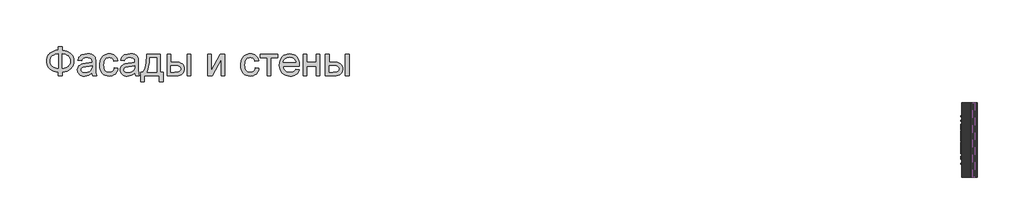
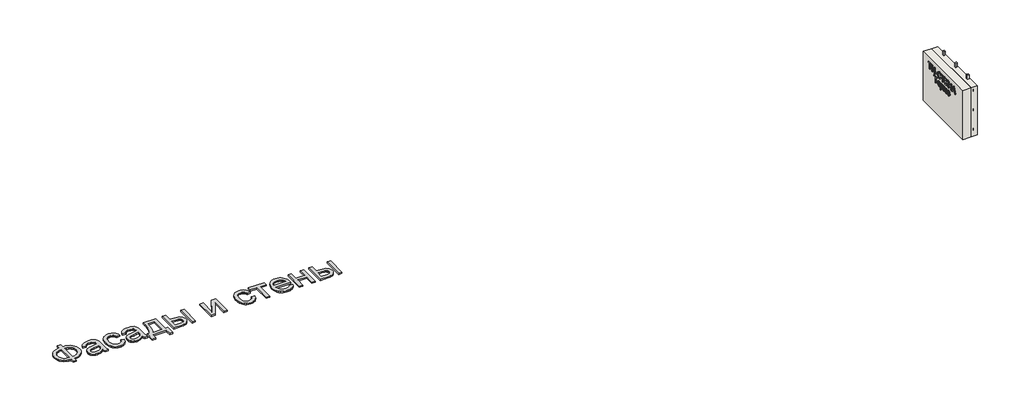
# One storey: 6 beams, 2 proxies, 2 walls.
"""IFC4 building model written with IfcOpenShell, lengths in millimetres."""

import ifcopenshell
import ifcopenshell.guid

model = None  # the IFC model being written
_history = None  # IfcOwnerHistory: only IFC2X3 demands one
_inside = {}  # id of a spatial element -> (the spatial element, [elements in it])
_under = {}  # id of a project, library or spatial element -> (it, [spatial elements below it])
_declared = {}  # id of a project -> (the project, [libraries it declares])
_typed = {}  # id of a type object -> (the type object, [elements of that type])
_made_of = {}  # id of a material, layer set ... -> (it, [elements and type objects made of it])


def new_model(schema):
    """Start an empty IFC model of exactly this schema.

    Asked for "IFC4X3", IfcOpenShell would pick the latest addendum, in which some entities
    have other attributes; the version numbers below select the first issue.
    IFC2X3 requires an IfcOwnerHistory on every rooted entity: one is made here for all.
    """
    global model, _history
    if schema == "IFC4X3":
        model = ifcopenshell.file(schema_version=(4, 3, 0, 0))
    else:
        model = ifcopenshell.file(schema=schema)
    _inside.clear()
    _under.clear()
    _declared.clear()
    _typed.clear()
    _made_of.clear()
    _history = None
    if model.schema == "IFC2X3":
        org = make("IfcOrganization", Name="unknown")
        user = make(
            "IfcPersonAndOrganization",
            ThePerson=make("IfcPerson", FamilyName="unknown"),
            TheOrganization=org,
        )
        app = make(
            "IfcApplication",
            ApplicationDeveloper=org,
            Version="unknown",
            ApplicationFullName="unknown",
            ApplicationIdentifier="unknown",
        )
        _history = make(
            "IfcOwnerHistory",
            OwningUser=user,
            OwningApplication=app,
            ChangeAction="ADDED",
            CreationDate=0,
        )
    return model


def make(cls, **values):
    """One entity of the class cls with the attributes given. An attribute that is None is left unset."""
    return model.create_entity(
        cls, **{name: value for name, value in values.items() if value is not None}
    )


def rooted(cls, **values):
    """An entity with a GlobalId (a new one), such as an element, a storey or a relation."""
    return make(cls, GlobalId=ifcopenshell.guid.new(), OwnerHistory=_history, **values)


def si_unit(unit_type, name, prefix=None):
    """IfcSIUnit, for example si_unit("LENGTHUNIT", "METRE", prefix="MILLI")."""
    return make("IfcSIUnit", UnitType=unit_type, Prefix=prefix, Name=name)


def assignment(units):
    """IfcUnitAssignment: the units of a project."""
    return None if units is None else make("IfcUnitAssignment", Units=units)


def point(xyz):
    """IfcCartesianPoint."""
    return None if xyz is None else make("IfcCartesianPoint", Coordinates=xyz)


def direction(xyz):
    """IfcDirection."""
    return None if xyz is None else make("IfcDirection", DirectionRatios=xyz)


def frame(location, z_axis=None, x_axis=None):
    """IfcAxis2Placement3D, a coordinate frame: its origin and axes. An axis left out is left unset."""
    return make(
        "IfcAxis2Placement3D",
        Location=point(location),
        Axis=direction(z_axis),
        RefDirection=direction(x_axis),
    )


def origin():
    """The frame at (0, 0, 0) with its axes left unset."""
    return frame((0.0, 0.0, 0.0))


def origin_with_axes():
    """The frame at (0, 0, 0) with the z axis (0, 0, 1) and the x axis (1, 0, 0) written out."""
    return frame((0.0, 0.0, 0.0), z_axis=(0.0, 0.0, 1.0), x_axis=(1.0, 0.0, 0.0))


def place(relative_to, where):
    """IfcLocalPlacement: puts the frame where relative to a parent placement (None: the world)."""
    return make(
        "IfcLocalPlacement", PlacementRelTo=relative_to, RelativePlacement=where
    )


def context(
    kind, dimensions, precision=None, world=None, true_north=None, identifier=None
):
    """IfcGeometricRepresentationContext, for example the 3D "Model" context."""
    return make(
        "IfcGeometricRepresentationContext",
        ContextIdentifier=identifier,
        ContextType=kind,
        CoordinateSpaceDimension=dimensions,
        Precision=precision,
        WorldCoordinateSystem=world,
        TrueNorth=true_north,
    )


def project(units=None, contexts=None):
    """IfcProject with its units and contexts."""
    return rooted(
        "IfcProject",
        Name="project",
        RepresentationContexts=contexts,
        UnitsInContext=assignment(units),
    )


def spatial(cls, under=None, at=None, **own):
    """A site, building, storey or space (cls), placed at a placement, below another one or the project."""
    s = rooted(cls, ObjectPlacement=at, **own)
    if under is not None:
        _under.setdefault(under.id(), (under, []))[1].append(s)
    return s


def polyline(points):
    """IfcPolyline through the points."""
    return make("IfcPolyline", Points=[point(p) for p in points])


def outline(outer, holes=None, kind="AREA"):
    """IfcArbitraryClosedProfileDef: a profile drawn as a closed curve; with holes, ...WithVoids."""
    if holes is None:
        return make("IfcArbitraryClosedProfileDef", ProfileType=kind, OuterCurve=outer)
    return make(
        "IfcArbitraryProfileDefWithVoids",
        ProfileType=kind,
        OuterCurve=outer,
        InnerCurves=holes,
    )


def extrude(swept, where, along, depth):
    """IfcExtrudedAreaSolid: the profile swept, set in the frame where, extruded along a direction by depth."""
    return make(
        "IfcExtrudedAreaSolid",
        SweptArea=swept,
        Position=where,
        ExtrudedDirection=direction(along),
        Depth=depth,
    )


def shape(context_of_items, identifier, shape_type, items):
    """IfcShapeRepresentation: the items that make up one representation, for example the "Body"."""
    return make(
        "IfcShapeRepresentation",
        ContextOfItems=context_of_items,
        RepresentationIdentifier=identifier,
        RepresentationType=shape_type,
        Items=items,
    )


def source(mapping_origin, context_of_items, identifier, shape_type, items):
    """IfcRepresentationMap: a shape defined once, which mapped items show again and again."""
    return make(
        "IfcRepresentationMap",
        MappingOrigin=mapping_origin,
        MappedRepresentation=shape(context_of_items, identifier, shape_type, items),
    )


def transform(
    local_origin,
    x_axis=None,
    y_axis=None,
    z_axis=None,
    scale=None,
    scale2=None,
    scale3=None,
    uniform=True,
):
    """IfcCartesianTransformationOperator3D, or its non-uniform kind. x_axis, y_axis, z_axis: its Axis1, 2, 3."""
    if uniform:
        return make(
            "IfcCartesianTransformationOperator3D",
            Axis1=direction(x_axis),
            Axis2=direction(y_axis),
            LocalOrigin=point(local_origin),
            Scale=scale,
            Axis3=direction(z_axis),
        )
    return make(
        "IfcCartesianTransformationOperator3DnonUniform",
        Axis1=direction(x_axis),
        Axis2=direction(y_axis),
        LocalOrigin=point(local_origin),
        Scale=scale,
        Axis3=direction(z_axis),
        Scale2=scale2,
        Scale3=scale3,
    )


def mapped(mapping_source, mapping_target):
    """IfcMappedItem: shows the shape of a source again, moved by a transform."""
    return make(
        "IfcMappedItem", MappingSource=mapping_source, MappingTarget=mapping_target
    )


def made_of(thing, what):
    """Note that an element or type object is made of a material, layer set ...; save() writes the relation."""
    if what is not None:
        _made_of.setdefault(what.id(), (what, []))[1].append(thing)
    return thing


def element(
    cls,
    number,
    at=None,
    inside=None,
    cuts=None,
    type_object=None,
    material=None,
    context=None,
    identifier="Body",
    shape_type=None,
    held_by="IfcProductDefinitionShape",
    body=None,
    shapes=None,
    **own,
):
    """One element of the class cls, such as IfcWall. Its Tag is "e" and its number.

    at: its placement. inside: the storey or other place that contains it. cuts: it is an
    opening in that element (IfcRelVoidsElement). A single representation is given by context,
    identifier, shape_type and body (its items); several are given by shapes. held_by: the class
    of the entity that holds the representations. save() writes the other relations.
    """
    e = rooted(cls, Tag="e%d" % number, ObjectPlacement=at, **own)
    if body is not None:
        shapes = [shape(context, identifier, shape_type, body)]
    if shapes is not None:
        e.Representation = make(held_by, Representations=shapes)
    if inside is not None:
        _inside.setdefault(inside.id(), (inside, []))[1].append(e)
    if cuts is not None:
        rooted(
            "IfcRelVoidsElement", RelatingBuildingElement=cuts, RelatedOpeningElement=e
        )
    if type_object is not None:
        _typed.setdefault(type_object.id(), (type_object, []))[1].append(e)
    return made_of(e, material)


def aggregate(whole, parts):
    """IfcRelAggregates: a whole, such as a stair, and the parts it consists of."""
    return rooted("IfcRelAggregates", RelatingObject=whole, RelatedObjects=parts)


def save(model, path):
    """Write the relations noted so far, then the file.

    IfcRelAggregates (storeys below a building ...), IfcRelContainedInSpatialStructure (elements
    in a storey), IfcRelDefinesByType, IfcRelAssociatesMaterial and IfcRelDeclares: one each for
    every whole, place, type object, material and project.
    """
    for whole, parts in _under.values():
        aggregate(whole, parts)
    for where, things in _inside.values():
        rooted(
            "IfcRelContainedInSpatialStructure",
            RelatedElements=things,
            RelatingStructure=where,
        )
    for kind, things in _typed.values():
        rooted("IfcRelDefinesByType", RelatedObjects=things, RelatingType=kind)
    for what, things in _made_of.values():
        rooted("IfcRelAssociatesMaterial", RelatedObjects=things, RelatingMaterial=what)
    for by, libraries in _declared.values():
        rooted("IfcRelDeclares", RelatingContext=by, RelatedDefinitions=libraries)
    model.write(path)


def beam_50x50_ec1bd43c(model_context):
    return source(origin(), model_context, "Body", "SweptSolid", [
        extrude(outline(polyline([(1000.0, 25.0), (1000.0, -25.0), (-1000.0, -25.0), (-1000.0, 25.0), (1000.0, 25.0)])), frame((0.0, 0.0, -25.0), z_axis=(0.0, 0.0, 1.0), x_axis=(1.0, 0.0, 0.0)), (0.0, 0.0, 1.0), 50.0),
    ])


def beam_50x50_d503972a(model_context):
    return source(origin(), model_context, "Body", "SweptSolid", [
        extrude(outline(polyline([(812.5, 25.0), (812.5, -25.0), (-812.5, -25.0), (-812.5, 25.0), (812.5, 25.0)])), frame((0.0, 0.0, -25.0), z_axis=(0.0, 0.0, 1.0), x_axis=(1.0, 0.0, 0.0)), (0.0, 0.0, 1.0), 50.0),
    ])


model = new_model("IFC4")

# Units and contexts
model_context = context("Model", 3, world=origin())
ifc_project = project(units=[si_unit("LENGTHUNIT", "METRE", prefix="MILLI")], contexts=[model_context])

# Site, building, storey
site = spatial("IfcSite", under=ifc_project)
building = spatial("IfcBuilding", under=site)
storey = spatial("IfcBuildingStorey", under=building, Elevation=0.0)

# Beams
placement = place(None, origin())
beam_50x50_shape = beam_50x50_ec1bd43c(model_context)
element("IfcBeam", 1, ObjectType="50x50", at=placement, inside=storey, context=model_context, shape_type="MappedRepresentation", body=[
    mapped(beam_50x50_shape, transform((22693.8955952, -23302.6148653, 1412.5), x_axis=(0.0, -1.0, 0.0), y_axis=(0.0, 0.0, 1.0), z_axis=(-1.0, 0.0, 0.0))),
])
element("IfcBeam", 2, ObjectType="50x50", at=placement, inside=storey, context=model_context, shape_type="MappedRepresentation", body=[
    mapped(beam_50x50_shape, transform((22693.8955952, -23302.6148653, 812.5), x_axis=(0.0, -1.0, 0.0), y_axis=(0.0, 0.0, 1.0), z_axis=(-1.0, 0.0, 0.0))),
])
element("IfcBeam", 3, ObjectType="50x50", at=placement, inside=storey, context=model_context, shape_type="MappedRepresentation", body=[
    mapped(beam_50x50_shape, transform((22693.8955952, -23302.6148653, 212.5), x_axis=(0.0, -1.0, 0.0), y_axis=(0.0, 0.0, 1.0), z_axis=(-1.0, 0.0, 0.0))),
])
beam_50x50_2_shape = beam_50x50_d503972a(model_context)
element("IfcBeam", 4, ObjectType="50x50", at=placement, inside=storey, context=model_context, shape_type="MappedRepresentation", body=[
    mapped(beam_50x50_2_shape, transform((22743.8955952, -23902.6148653, 812.5), x_axis=(0.0, 0.0, -1.0), y_axis=(0.0, -1.0, 0.0), z_axis=(-1.0, 0.0, 0.0))),
])
element("IfcBeam", 5, ObjectType="50x50", at=placement, inside=storey, context=model_context, shape_type="MappedRepresentation", body=[
    mapped(beam_50x50_2_shape, transform((22743.8955952, -23302.6148653, 812.5), x_axis=(0.0, 0.0, -1.0), y_axis=(0.0, -1.0, 0.0), z_axis=(-1.0, 0.0, 0.0))),
])
element("IfcBeam", 6, ObjectType="50x50", at=placement, inside=storey, context=model_context, shape_type="MappedRepresentation", body=[
    mapped(beam_50x50_2_shape, transform((22743.8955952, -22702.6148653, 812.5), x_axis=(0.0, 0.0, -1.0), y_axis=(0.0, -1.0, 0.0), z_axis=(-1.0, 0.0, 0.0))),
])

# Proxies
element("IfcBuildingElementProxy", 7, Name="Generic Models", at=placement, inside=storey, context=model_context, shape_type="SweptSolid", body=[
    extrude(outline(polyline([(-1939.8736325, -20885.7211043), (-1939.8736325, -20787.7817103), (-1841.9342386, -20787.7817103), (-1841.9342386, -20885.7211043), (-1772.0723186, -20894.3529698), (-1709.9695132, -20912.2144755), (-1655.6258224, -20939.3056213), (-1609.0412461, -20975.6264073), (-1571.6743546, -21019.0607113), (-1544.9837177, -21067.4924111), (-1528.9693356, -21120.9215067), (-1523.6312083, -21179.3479982), (-1528.8019587, -21236.6028514), (-1544.3142102, -21289.3863505), (-1570.1679625, -21337.6984954), (-1606.3632158, -21381.5392861), (-1628.1416397, -21401.1761824), (-1652.1109076, -21418.4817577), (-1706.6219753, -21446.0989452), (-1769.896419, -21464.3908486), (-1841.9342386, -21473.3574679), (-1841.9342386, -21571.2968619), (-1939.8736325, -21571.2968619), (-1939.8736325, -21473.3574679), (-2005.3060425, -21466.0586398), (-2065.0237272, -21449.518216), (-2119.0266865, -21423.7361966), (-2167.3149204, -21388.7125816), (-2207.0669327, -21345.8939854), (-2222.6837947, -21322.10405), (-2235.4612272, -21296.7270228), (-2245.3992303, -21269.7629041), (-2252.4978039, -21241.2116938), (-2258.1766628, -21179.3479982), (-2252.5157371, -21117.2033486), (-2245.4395801, -21088.5878775), (-2235.5329602, -21061.6103088), (-2222.7958774, -21036.2706426), (-2207.2283318, -21012.5688789), (-2188.8303234, -20990.5050176), (-2167.6018522, -20970.0790588), (-2119.4032845, -20935.3961753), (-2065.382392, -20909.775555), (-2005.5391746, -20893.217198), (-1939.8736325, -20885.7211043)]), holes=[polyline([(-1841.9342386, -20983.6604982), (-1841.9342386, -21375.418074), (-1793.3949393, -21370.2234125), (-1750.3073446, -21359.2303372), (-1712.6714545, -21342.4388481), (-1680.4872689, -21319.8489452), (-1654.7112272, -21291.9627591), (-1636.2997689, -21259.2824206), (-1625.2528939, -21221.8079296), (-1621.5706022, -21179.5392861), (-1625.1871387, -21137.922217), (-1636.036748, -21100.872146), (-1654.1194303, -21068.389073), (-1679.4351855, -21040.4729982), (-1711.2905951, -21017.6977852), (-1748.9922405, -21000.6372975), (-1792.5401216, -20989.2915352), (-1841.9342386, -20983.6604982)]), polyline([(-1939.8736325, -20983.6604982), (-1986.781007, -20988.5861611), (-2028.989873, -20999.3461043), (-2066.5002305, -21015.9403278), (-2099.3120795, -21038.3688316), (-2125.9668498, -21066.2012179), (-2145.0059715, -21099.0070891), (-2156.4294445, -21136.7864452), (-2160.2372689, -21179.5392861), (-2156.4772665, -21221.9035735), (-2145.1972594, -21259.4737085), (-2126.3972476, -21292.2496909), (-2100.077231, -21320.231521), (-2067.5044919, -21342.8692459), (-2029.9463124, -21359.612913), (-1987.4026926, -21370.4625224), (-1939.8736325, -21375.418074), (-1939.8736325, -20983.6604982)])]), origin_with_axes(), (0.0, 0.0, 1.0), 40.0),
    extrude(outline(polyline([(-1033.9342386, -21497.8423164), (-1080.7280359, -21537.964949), (-1104.6449985, -21552.8256261), (-1128.9086704, -21564.2192103), (-1179.5760473, -21578.7092672), (-1233.8300719, -21583.5392861), (-1277.4377305, -21580.6341014), (-1315.677373, -21571.9185475), (-1348.5489995, -21557.3926242), (-1376.0526098, -21537.0563316), (-1397.7697618, -21512.2008628), (-1413.2820132, -21484.1174111), (-1422.589364, -21452.8059764), (-1425.6918143, -21418.2665588), (-1421.0052613, -21377.6657066), (-1406.9456022, -21340.7949679), (-1385.2583389, -21309.2324679), (-1357.6889734, -21284.5563316), (-1325.2895889, -21265.9057634), (-1289.1122689, -21252.4199679), (-1204.3717386, -21237.6908013), (-1104.232534, -21222.1964831), (-1034.5081022, -21204.0241346), (-1033.9342386, -21182.2173164), (-1035.619963, -21158.4737085), (-1040.6771363, -21138.5080361), (-1049.1057585, -21122.3202994), (-1060.9058295, -21109.9104982), (-1081.3018996, -21097.5246081), (-1106.1454128, -21088.6775437), (-1135.4363693, -21083.369305), (-1169.1747689, -21081.5998922), (-1227.5175719, -21086.3103562), (-1250.0895416, -21092.1984362), (-1268.2618901, -21100.4417482), (-1283.1943001, -21111.6858888), (-1296.0464545, -21126.5764547), (-1306.8183532, -21145.1134457), (-1315.5099961, -21167.2968619), (-1413.4493901, -21155.0544376), (-1396.4486799, -21101.4938316), (-1384.810008, -21079.0175058), (-1371.0791249, -21059.4104982), (-1354.6642338, -21042.2782776), (-1334.9735378, -21027.2263126), (-1312.0070369, -21014.2546033), (-1285.764731, -21003.3631497), (-1225.5807821, -20988.5861611), (-1156.5497689, -20983.6604982), (-1090.3402518, -20988.0122975), (-1037.8556401, -21001.0676952), (-998.2829602, -21020.6986138), (-970.8092386, -21044.7769755), (-952.5890681, -21074.5461516), (-940.7770416, -21111.2495134), (-937.1903939, -21145.1074679), (-935.9948446, -21196.9464831), (-935.9948446, -21318.7968619), (-934.7514734, -21424.9377236), (-931.0213598, -21488.94743), (-923.6567764, -21531.0068524), (-911.5099961, -21571.2968619), (-1009.4493901, -21571.2968619), (-1025.1349961, -21537.2476194), (-1033.9342386, -21497.8423164)]), holes=[polyline([(-1033.9342386, -21301.9635285), (-1099.7372689, -21318.2708202), (-1191.9380264, -21331.9957255), (-1242.7488693, -21339.5037747), (-1276.2003371, -21347.8726194), (-1298.1267102, -21358.7282066), (-1314.3622689, -21373.6964831), (-1324.4048825, -21391.6297217), (-1327.7524204, -21411.3801952), (-1325.9292078, -21426.599537), (-1320.45957, -21440.5037747), (-1311.343507, -21453.0929083), (-1298.5810189, -21464.3669376), (-1282.2916604, -21473.6563552), (-1262.5949867, -21480.2916535), (-1212.9796931, -21485.5998922), (-1160.3755264, -21479.7417009), (-1136.3688977, -21472.4189618), (-1113.8925719, -21462.167127), (-1076.2088598, -21436.2715304), (-1050.0024204, -21405.450271), (-1038.3816818, -21373.6964831), (-1034.5081022, -21329.700271), (-1033.9342386, -21301.9635285)])]), origin_with_axes(), (0.0, 0.0, 1.0), 40.0),
    extrude(outline(polyline([(-434.0554507, -21363.1756497), (-336.1160568, -21375.418074), (-346.7684005, -21421.6320299), (-363.4224014, -21462.5257918), (-386.0780596, -21498.0993595), (-414.7353749, -21528.3527331), (-448.1868427, -21552.49685), (-485.2249583, -21569.7426478), (-525.8497215, -21580.0901265), (-570.0611325, -21583.5392861), (-624.9906425, -21578.7272004), (-674.2412935, -21564.2909433), (-717.8130856, -21540.2305148), (-755.7060189, -21506.5459149), (-786.3778347, -21463.8707847), (-808.2862746, -21412.8387653), (-821.4313385, -21353.4498567), (-825.8130264, -21285.7040588), (-823.9419919, -21240.6736966), (-818.3288882, -21198.5485191), (-808.9737154, -21159.3285262), (-795.8764734, -21123.0137179), (-778.9474961, -21090.3333794), (-758.0971174, -21062.0167956), (-733.3253371, -21038.0639665), (-704.6321552, -21018.4748922), (-673.3147428, -21003.2435948), (-640.6702708, -20992.3640967), (-606.698739, -20985.8363978), (-571.4001477, -20983.6604982), (-527.9479104, -20986.6493713), (-488.6442291, -20995.6159906), (-453.4891036, -21010.5603562), (-422.482534, -21031.4824679), (-396.150562, -21057.9041062), (-375.0192291, -21089.3470513), (-359.0885354, -21125.8113031), (-348.358481, -21167.2968619), (-446.2978749, -21179.5392861), (-453.9434123, -21156.6624513), (-464.0637367, -21136.8103562), (-476.6588479, -21119.9830006), (-491.7287461, -21106.1803846), (-508.8908555, -21095.4264192), (-527.7626003, -21087.7450153), (-548.3439805, -21083.1361729), (-570.6349961, -21081.5998922), (-603.9131093, -21084.6246317), (-633.927373, -21093.6988505), (-660.6777873, -21108.8225484), (-684.1643522, -21129.9957255), (-703.2871623, -21157.7085569), (-716.9463124, -21192.4512179), (-725.1418025, -21234.2237085), (-727.8736325, -21283.0260285), (-725.20158, -21332.5636114), (-717.1854223, -21374.8202994), (-703.8251595, -21409.7960924), (-685.1207916, -21437.4909906), (-662.1004909, -21458.5386351), (-635.7924299, -21473.5726668), (-606.1966084, -21482.5930858), (-573.3130264, -21485.5998922), (-546.8136775, -21483.7228799), (-522.5978276, -21478.0918429), (-500.6654767, -21468.7067814), (-481.0166249, -21455.5676952), (-464.2012248, -21438.5311185), (-450.7692291, -21417.4535853), (-440.7206377, -21392.3350958), (-434.0554507, -21363.1756497)])), origin_with_axes(), (0.0, 0.0, 1.0), 40.0),
    extrude(outline(polyline([(116.8536402, -21497.8423164), (70.0598429, -21537.964949), (46.1428803, -21552.8256261), (21.8792084, -21564.2192103), (-28.7881685, -21578.7092672), (-83.0421931, -21583.5392861), (-126.6498517, -21580.6341014), (-164.8894943, -21571.9185475), (-197.7611207, -21557.3926242), (-225.264731, -21537.0563316), (-246.981883, -21512.2008628), (-262.4941344, -21484.1174111), (-271.8014853, -21452.8059764), (-274.9039355, -21418.2665588), (-270.2173825, -21377.6657066), (-256.1577234, -21340.7949679), (-234.4704602, -21309.2324679), (-206.9010946, -21284.5563316), (-174.5017102, -21265.9057634), (-138.3243901, -21252.4199679), (-53.5838598, -21237.6908013), (46.5553448, -21222.1964831), (116.2797766, -21204.0241346), (116.8536402, -21182.2173164), (115.1679158, -21158.4737085), (110.1107425, -21138.5080361), (101.6821203, -21122.3202994), (89.8820493, -21109.9104982), (69.4859792, -21097.5246081), (44.642466, -21088.6775437), (15.3515095, -21083.369305), (-18.3868901, -21081.5998922), (-76.7296931, -21086.3103562), (-99.3016628, -21092.1984362), (-117.4740113, -21100.4417482), (-132.4064213, -21111.6858888), (-145.2585757, -21126.5764547), (-156.0304744, -21145.1134457), (-164.7221174, -21167.2968619), (-262.6615113, -21155.0544376), (-245.6608011, -21101.4938316), (-234.0221292, -21079.0175058), (-220.2912461, -21059.4104982), (-203.876355, -21042.2782776), (-184.185659, -21027.2263126), (-161.2191581, -21014.2546033), (-134.9768522, -21003.3631497), (-74.7929033, -20988.5861611), (-5.7618901, -20983.6604982), (60.447627, -20988.0122975), (112.9322387, -21001.0676952), (152.5049186, -21020.6986138), (179.9786402, -21044.7769755), (198.1988107, -21074.5461516), (210.0108372, -21111.2495134), (213.5974849, -21145.1074679), (214.7930342, -21196.9464831), (214.7930342, -21318.7968619), (216.0364054, -21424.9377236), (219.766519, -21488.94743), (227.1311023, -21531.0068524), (239.2778826, -21571.2968619), (141.3384887, -21571.2968619), (125.6528826, -21537.2476194), (116.8536402, -21497.8423164)]), holes=[polyline([(116.8536402, -21301.9635285), (51.0506099, -21318.2708202), (-41.1501477, -21331.9957255), (-91.9609905, -21339.5037747), (-125.4124583, -21347.8726194), (-147.3388314, -21358.7282066), (-163.5743901, -21373.6964831), (-173.6170037, -21391.6297217), (-176.9645416, -21411.3801952), (-175.141329, -21426.599537), (-169.6716912, -21440.5037747), (-160.5556282, -21453.0929083), (-147.7931401, -21464.3669376), (-131.5037817, -21473.6563552), (-111.8071079, -21480.2916535), (-62.1918143, -21485.5998922), (-9.5876477, -21479.7417009), (14.4189811, -21472.4189618), (36.8953069, -21462.167127), (74.579019, -21436.2715304), (100.7854584, -21405.450271), (112.406197, -21373.6964831), (116.2797766, -21329.700271), (116.8536402, -21301.9635285)])]), origin_with_axes(), (0.0, 0.0, 1.0), 40.0),
    extrude(outline(polyline([(435.1566705, -20995.9029225), (802.4293978, -20995.9029225), (802.4293978, -21473.3574679), (875.8839432, -21473.3574679), (875.8839432, -21730.448377), (777.9445493, -21730.448377), (777.9445493, -21571.2968619), (373.9445493, -21571.2968619), (373.9445493, -21730.448377), (276.0051554, -21730.448377), (276.0051554, -21473.3574679), (337.2172766, -21473.3574679), (361.1342392, -21436.3970631), (381.7156194, -21392.9448259), (398.9614172, -21343.0007563), (412.8716326, -21286.5648543), (423.4462657, -21223.6371199), (430.6853164, -21154.2175531), (434.5887846, -21078.306154), (435.1566705, -20995.9029225)]), holes=[polyline([(520.8536402, -21093.8423164), (512.8195493, -21213.7559054), (497.8990948, -21316.979627), (476.0922766, -21403.5134812), (462.6064811, -21440.521708), (447.3990948, -21473.3574679), (704.4900039, -21473.3574679), (704.4900039, -21093.8423164), (520.8536402, -21093.8423164)])]), origin_with_axes(), (0.0, 0.0, 1.0), 40.0),
    extrude(outline(polyline([(986.0657614, -20995.9029225), (1084.0051554, -20995.9029225), (1084.0051554, -21204.0241346), (1205.0903826, -21204.0241346), (1260.8089551, -21207.0907184), (1309.7487633, -21216.2904698), (1351.9098074, -21231.6233888), (1387.2920872, -21253.0894755), (1415.2858727, -21279.9474892), (1435.2814338, -21311.4561895), (1447.2787704, -21347.6155763), (1451.2778826, -21388.4256497), (1447.924367, -21424.8361019), (1437.8638201, -21458.5087463), (1421.096242, -21489.443583), (1397.6216326, -21517.6406119), (1366.7824399, -21541.1152212), (1327.9211118, -21557.8827994), (1281.0376483, -21567.9433462), (1226.1320493, -21571.2968619), (986.0657614, -21571.2968619), (986.0657614, -20995.9029225)]), holes=[polyline([(1084.0051554, -21473.3574679), (1184.6225796, -21473.3574679), (1262.6202122, -21468.2166062), (1291.8274802, -21461.790529), (1314.5070493, -21452.794021), (1331.495804, -21441.0716606), (1343.6306289, -21426.4680266), (1350.9115237, -21408.983119), (1353.3384887, -21388.6169376), (1351.5391871, -21372.1542245), (1346.1412823, -21356.6240399), (1337.1447742, -21342.0263836), (1324.5496629, -21328.3612558), (1305.8094286, -21316.8122501), (1278.3775512, -21308.5629603), (1242.2540308, -21303.6133865), (1197.4388675, -21301.9635285), (1084.0051554, -21301.9635285), (1084.0051554, -21473.3574679)])]), origin_with_axes(), (0.0, 0.0, 1.0), 40.0),
    extrude(outline(polyline([(1524.7324281, -20995.9029225), (1622.671822, -20995.9029225), (1622.671822, -21571.2968619), (1524.7324281, -21571.2968619), (1524.7324281, -20995.9029225)])), origin_with_axes(), (0.0, 0.0, 1.0), 40.0),
    extrude(outline(polyline([(2075.641519, -20995.9029225), (2173.5809129, -20995.9029225), (2173.5809129, -21434.7173164), (2414.2210645, -20995.9029225), (2540.8536402, -20995.9029225), (2540.8536402, -21571.2968619), (2442.9142463, -21571.2968619), (2442.9142463, -21135.1604982), (2203.8043978, -21571.2968619), (2075.641519, -21571.2968619), (2075.641519, -20995.9029225)])), origin_with_axes(), (0.0, 0.0, 1.0), 40.0),
    extrude(outline(polyline([(3361.0960645, -21363.1756497), (3459.0354584, -21375.418074), (3448.3831147, -21421.6320299), (3431.7291137, -21462.5257918), (3409.0734556, -21498.0993595), (3380.4161402, -21528.3527331), (3346.9646724, -21552.49685), (3309.9265569, -21569.7426478), (3269.3017936, -21580.0901265), (3225.0903826, -21583.5392861), (3170.1608727, -21578.7272004), (3120.9102217, -21564.2909433), (3077.3384295, -21540.2305148), (3039.4454963, -21506.5459149), (3008.7736805, -21463.8707847), (2986.8652406, -21412.8387653), (2973.7201767, -21353.4498567), (2969.3384887, -21285.7040588), (2971.2095233, -21240.6736966), (2976.822627, -21198.5485191), (2986.1777998, -21159.3285262), (2999.2750417, -21123.0137179), (3016.204019, -21090.3333794), (3037.0543978, -21062.0167956), (3061.8261781, -21038.0639665), (3090.5193599, -21018.4748922), (3121.8367723, -21003.2435948), (3154.4812444, -20992.3640967), (3188.4527761, -20985.8363978), (3223.7513675, -20983.6604982), (3267.2036047, -20986.6493713), (3306.5072861, -20995.6159906), (3341.6624115, -21010.5603562), (3372.6689811, -21031.4824679), (3399.0009532, -21057.9041062), (3420.1322861, -21089.3470513), (3436.0629797, -21125.8113031), (3446.7930342, -21167.2968619), (3348.8536402, -21179.5392861), (3341.2081028, -21156.6624513), (3331.0877785, -21136.8103562), (3318.4926672, -21119.9830006), (3303.422769, -21106.1803846), (3286.2606596, -21095.4264192), (3267.3889148, -21087.7450153), (3246.8075346, -21083.1361729), (3224.516519, -21081.5998922), (3191.2384058, -21084.6246317), (3161.2241421, -21093.6988505), (3134.4737278, -21108.8225484), (3110.9871629, -21129.9957255), (3091.8643528, -21157.7085569), (3078.2052027, -21192.4512179), (3070.0097127, -21234.2237085), (3067.2778826, -21283.0260285), (3069.9499352, -21332.5636114), (3077.9660929, -21374.8202994), (3091.3263557, -21409.7960924), (3110.0307236, -21437.4909906), (3133.0510242, -21458.5386351), (3159.3590853, -21473.5726668), (3188.9549068, -21482.5930858), (3221.8384887, -21485.5998922), (3248.3378377, -21483.7228799), (3272.5536876, -21478.0918429), (3294.4860384, -21468.7067814), (3314.1348902, -21455.5676952), (3330.9502903, -21438.5311185), (3344.3822861, -21417.4535853), (3354.4308774, -21392.3350958), (3361.0960645, -21363.1756497)])), origin_with_axes(), (0.0, 0.0, 1.0), 40.0),
    extrude(outline(polyline([(3495.7627311, -20995.9029225), (3960.9748523, -20995.9029225), (3960.9748523, -21093.8423164), (3777.3384887, -21093.8423164), (3777.3384887, -21571.2968619), (3679.3990948, -21571.2968619), (3679.3990948, -21093.8423164), (3495.7627311, -21093.8423164), (3495.7627311, -20995.9029225)])), origin_with_axes(), (0.0, 0.0, 1.0), 40.0),
    extrude(outline(polyline([(4449.5240948, -21399.9029225), (4545.5506099, -21412.1453467), (4530.827421, -21450.6061658), (4510.9514148, -21484.4999869), (4485.9225914, -21513.8268098), (4455.7409508, -21538.5866346), (4420.7173358, -21558.2534196), (4381.1625891, -21572.3011232), (4337.0767108, -21580.7297454), (4288.4597008, -21583.5392861), (4227.6899328, -21578.6913339), (4173.5435076, -21564.1474774), (4126.0204253, -21539.9077165), (4085.1206857, -21505.9720513), (4052.231126, -21463.2849656), (4028.7385834, -21412.7909433), (4014.6430578, -21354.4899845), (4009.9445493, -21288.3820891), (4014.6908798, -21220.0325389), (4028.9298713, -21159.7888126), (4052.6615237, -21107.6509102), (4085.8858372, -21063.6188316), (4126.6779773, -21028.6370607), (4173.1131099, -21003.6500816), (4225.1912349, -20988.6578941), (4282.9123523, -20983.6604982), (4338.7743907, -20988.6459386), (4389.2923239, -21003.6022596), (4434.4661521, -21028.5294613), (4474.2958751, -21063.4275437), (4506.8088367, -21107.3639783), (4530.0323807, -21159.4062369), (4543.9665072, -21219.5543192), (4548.611216, -21287.8082255), (4548.0373523, -21314.2059528), (4107.8839432, -21314.2059528), (4113.5568244, -21353.2884575), (4124.8368315, -21387.5170323), (4141.7239646, -21416.8916772), (4164.2182236, -21441.4123922), (4191.0762373, -21460.7444234), (4221.0546345, -21474.5530172), (4254.1534153, -21482.8381734), (4290.3725796, -21485.5998922), (4342.4985266, -21480.4829414), (4386.3990948, -21465.1320891), (4405.2648618, -21453.3798401), (4422.0742842, -21438.590896), (4436.8273618, -21420.7652567), (4449.5240948, -21399.9029225)]), holes=[polyline([(4107.8839432, -21216.2665588), (4450.671822, -21216.2665588), (4445.6385597, -21188.5537274), (4437.4251364, -21164.5231876), (4426.0315522, -21144.1749395), (4411.4578069, -21127.5089831), (4384.7492368, -21107.4237558), (4354.3583751, -21093.0771649), (4320.2852217, -21084.4692103), (4282.5297766, -21081.5998922), (4248.0919807, -21083.889369), (4216.5115474, -21090.7577994), (4187.7884769, -21102.2051834), (4161.922769, -21118.231521), (4140.2175725, -21138.0955716), (4123.9760361, -21161.0560948), (4113.1981596, -21187.1130906), (4107.8839432, -21216.2665588)])]), origin_with_axes(), (0.0, 0.0, 1.0), 40.0),
    extrude(outline(polyline([(4646.5506099, -20995.9029225), (4744.4900039, -20995.9029225), (4744.4900039, -21216.2665588), (5001.5809129, -21216.2665588), (5001.5809129, -20995.9029225), (5099.5203069, -20995.9029225), (5099.5203069, -21571.2968619), (5001.5809129, -21571.2968619), (5001.5809129, -21314.2059528), (4744.4900039, -21314.2059528), (4744.4900039, -21571.2968619), (4646.5506099, -21571.2968619), (4646.5506099, -20995.9029225)])), origin_with_axes(), (0.0, 0.0, 1.0), 40.0),
    extrude(outline(polyline([(5246.4293978, -20995.9029225), (5344.3687917, -20995.9029225), (5344.3687917, -21204.0241346), (5465.454019, -21204.0241346), (5521.1725914, -21207.0907184), (5570.1123997, -21216.2904698), (5612.2734437, -21231.6233888), (5647.6557236, -21253.0894755), (5675.6495091, -21279.9474892), (5695.6450701, -21311.4561895), (5707.6424068, -21347.6155763), (5711.641519, -21388.4256497), (5708.2880034, -21424.8361019), (5698.2274565, -21458.5087463), (5681.4598784, -21489.443583), (5657.985269, -21517.6406119), (5627.1460763, -21541.1152212), (5588.2847482, -21557.8827994), (5541.4012846, -21567.9433462), (5486.4956857, -21571.2968619), (5246.4293978, -21571.2968619), (5246.4293978, -20995.9029225)]), holes=[polyline([(5344.3687917, -21473.3574679), (5444.986216, -21473.3574679), (5522.9838486, -21468.2166062), (5552.1911165, -21461.790529), (5574.8706857, -21452.794021), (5591.8594404, -21441.0716606), (5603.9942652, -21426.4680266), (5611.2751601, -21408.983119), (5613.7021251, -21388.6169376), (5611.9028235, -21372.1542245), (5606.5049186, -21356.6240399), (5597.5084106, -21342.0263836), (5584.9132993, -21328.3612558), (5566.1730649, -21316.8122501), (5538.7411876, -21308.5629603), (5502.6176672, -21303.6133865), (5457.8025039, -21301.9635285), (5344.3687917, -21301.9635285), (5344.3687917, -21473.3574679)])]), origin_with_axes(), (0.0, 0.0, 1.0), 40.0),
    extrude(outline(polyline([(5785.0960645, -20995.9029225), (5883.0354584, -20995.9029225), (5883.0354584, -21571.2968619), (5785.0960645, -21571.2968619), (5785.0960645, -20995.9029225)])), origin_with_axes(), (0.0, 0.0, 1.0), 40.0),
])
element("IfcBuildingElementProxy", 8, Name="Generic Models", at=placement, inside=storey, context=model_context, shape_type="SweptSolid", body=[
    extrude(outline(polyline([(-22656.7814545, 1181.1112414), (-22681.3968391, 1181.1112414), (-22681.3968391, 1353.4189337), (-22746.0122237, 1353.4189337), (-22746.0122237, 1378.0343184), (-22592.1660699, 1378.0343184), (-22592.1660699, 1353.4189337), (-22656.7814545, 1353.4189337), (-22656.7814545, 1181.1112414)])), frame((22348.8955952, 0.0, 0.0), z_axis=(1.0, 0.0, 0.0), x_axis=(0.0, 1.0, 0.0)), (0.0, 0.0, 1.0), 20.0),
    extrude(outline(polyline([(-22773.7045314, 1181.1112414), (-22798.319916, 1181.1112414), (-22798.319916, 1273.4189337), (-22902.9353006, 1273.4189337), (-22902.9353006, 1181.1112414), (-22927.5506853, 1181.1112414), (-22927.5506853, 1378.0343184), (-22902.9353006, 1378.0343184), (-22902.9353006, 1298.0343184), (-22798.319916, 1298.0343184), (-22798.319916, 1378.0343184), (-22773.7045314, 1378.0343184), (-22773.7045314, 1181.1112414)])), frame((22348.8955952, 0.0, 0.0), z_axis=(1.0, 0.0, 0.0), x_axis=(0.0, 1.0, 0.0)), (0.0, 0.0, 1.0), 20.0),
    extrude(outline(polyline([(22348.8955952, -23032.1660699), (22348.8955952, -22955.242993), (22368.8955952, -22955.242993), (22368.8955952, -23032.1660699), (22348.8955952, -23032.1660699)])), frame((0.0, 0.0, 1239.5727799), z_axis=(0.0, 0.0, 1.0), x_axis=(1.0, 0.0, 0.0)), (0.0, 0.0, 1.0), 24.6153846),
    extrude(outline(polyline([(-23201.3968391, 1251.1112414), (-23193.4340987, 1230.0295107), (-23180.507416, 1214.8612414), (-23163.3860218, 1205.7025876), (-23142.8391468, 1202.649703), (-23125.2129449, 1204.8912895), (-23108.8728006, 1211.6160491), (-23095.242993, 1222.8720587), (-23085.7478006, 1238.7073953), (-23080.1768872, 1258.3708568), (-23078.319916, 1281.1112414), (-23079.8884256, 1299.680953), (-23084.5939545, 1317.6977799), (-23093.1696756, 1333.6352799), (-23106.3487622, 1345.9670107), (-23123.7165506, 1353.8636453), (-23144.8583776, 1356.4958568), (-23163.1997237, 1354.1220587), (-23178.1276083, 1347.0006645), (-23189.7862622, 1334.6869626), (-23198.319916, 1316.7362414), (-23222.9353006, 1322.601626), (-23212.0639064, 1347.3131645), (-23195.1228006, 1365.774703), (-23172.8090987, 1377.2771068), (-23145.819916, 1381.1112414), (-23121.0843391, 1378.148501), (-23098.5122237, 1369.2602799), (-23079.4797718, 1354.6629241), (-23065.3631853, 1334.5727799), (-23056.6191949, 1309.7771068), (-23053.7045314, 1281.0631645), (-23056.2826564, 1253.8396068), (-23064.0170314, 1228.4189337), (-23076.6853006, 1206.7963376), (-23094.0651083, 1190.9670107), (-23116.7393872, 1181.2674914), (-23145.2910699, 1178.0343184), (-23173.4160699, 1182.3071549), (-23196.8295314, 1195.1256645), (-23214.6540506, 1216.0811934), (-23226.0122237, 1244.7650876), (-23201.3968391, 1251.1112414)])), frame((22348.8955952, 0.0, 0.0), z_axis=(1.0, 0.0, 0.0), x_axis=(0.0, 1.0, 0.0)), (0.0, 0.0, 1.0), 20.0),
    extrude(outline(polyline([(-23309.0891468, 1181.1112414), (-23333.7045314, 1181.1112414), (-23333.7045314, 1353.4189337), (-23398.319916, 1353.4189337), (-23398.319916, 1378.0343184), (-23244.4737622, 1378.0343184), (-23244.4737622, 1353.4189337), (-23309.0891468, 1353.4189337), (-23309.0891468, 1181.1112414)])), frame((22348.8955952, 0.0, 0.0), z_axis=(1.0, 0.0, 0.0), x_axis=(0.0, 1.0, 0.0)), (0.0, 0.0, 1.0), 20.0),
    extrude(outline(polyline([(-23426.0122237, 1181.1112414), (-23570.6276083, 1181.1112414), (-23570.6276083, 1205.726626), (-23450.6276083, 1205.726626), (-23450.6276083, 1270.3420107), (-23561.3968391, 1270.3420107), (-23561.3968391, 1294.9573953), (-23450.6276083, 1294.9573953), (-23450.6276083, 1353.4189337), (-23567.5506853, 1353.4189337), (-23567.5506853, 1378.0343184), (-23426.0122237, 1378.0343184), (-23426.0122237, 1181.1112414)])), frame((22348.8955952, 0.0, 0.0), z_axis=(1.0, 0.0, 0.0), x_axis=(0.0, 1.0, 0.0)), (0.0, 0.0, 1.0), 20.0),
    extrude(outline(polyline([(-23607.5506853, 1181.1112414), (-23632.1660699, 1181.1112414), (-23632.1660699, 1273.4189337), (-23736.7814545, 1273.4189337), (-23736.7814545, 1181.1112414), (-23761.3968391, 1181.1112414), (-23761.3968391, 1378.0343184), (-23736.7814545, 1378.0343184), (-23736.7814545, 1298.0343184), (-23632.1660699, 1298.0343184), (-23632.1660699, 1378.0343184), (-23607.5506853, 1378.0343184), (-23607.5506853, 1181.1112414)])), frame((22348.8955952, 0.0, 0.0), z_axis=(1.0, 0.0, 0.0), x_axis=(0.0, 1.0, 0.0)), (0.0, 0.0, 1.0), 20.0),
    extrude(outline(polyline([(-23781.5410699, 1181.1112414), (-23807.5506853, 1181.1112414), (-23830.0506853, 1242.649703), (-23911.1564545, 1242.649703), (-23933.7045314, 1181.1112414), (-23959.7141468, 1181.1112414), (-23881.1083776, 1378.0343184), (-23860.1468391, 1378.0343184), (-23781.5410699, 1181.1112414)]), holes=[polyline([(-23839.0891468, 1267.2650876), (-23858.367993, 1319.9093184), (-23870.6276083, 1353.4189337), (-23884.4256853, 1315.6785491), (-23902.1660699, 1267.2650876), (-23839.0891468, 1267.2650876)])]), frame((22348.8955952, 0.0, 0.0), z_axis=(1.0, 0.0, 0.0), x_axis=(0.0, 1.0, 0.0)), (0.0, 0.0, 1.0), 20.0),
    extrude(outline(polyline([(-22942.9353006, 938.0343184), (-22967.5506853, 938.0343184), (-22967.5506853, 1110.3420107), (-23032.1660699, 1110.3420107), (-23032.1660699, 1134.9573953), (-22878.319916, 1134.9573953), (-22878.319916, 1110.3420107), (-22942.9353006, 1110.3420107), (-22942.9353006, 938.0343184)])), frame((22348.8955952, 0.0, 0.0), z_axis=(1.0, 0.0, 0.0), x_axis=(0.0, 1.0, 0.0)), (0.0, 0.0, 1.0), 20.0),
    extrude(outline(polyline([(-23158.0314545, 981.1112414), (-23151.132416, 971.3876837), (-23142.1660699, 964.7170107), (-23118.0314545, 959.5727799), (-23100.6095795, 962.3492222), (-23086.3247237, 970.6785491), (-23076.4268872, 984.2242222), (-23072.1660699, 1002.649703), (-23182.7910699, 1002.649703), (-23182.9353006, 1009.2843184), (-23178.2658295, 1041.555953), (-23164.257416, 1065.6785491), (-23142.8932333, 1080.7146068), (-23116.1564545, 1085.726626), (-23088.5603006, 1080.7025876), (-23066.6372237, 1065.6304722), (-23052.3223199, 1041.4597991), (-23047.5506853, 1009.1400876), (-23052.274243, 977.8720587), (-23066.444916, 954.4525876), (-23088.6684737, 939.8311934), (-23117.5506853, 934.9573953), (-23140.8499641, 937.7819145), (-23159.5939545, 946.2554722), (-23173.4701564, 959.8492222), (-23182.1660699, 978.0343184), (-23158.0314545, 981.1112414)]), holes=[polyline([(-23072.1660699, 1027.2650876), (-23076.210541, 1041.1412895), (-23085.7478006, 1051.9045107), (-23099.4677526, 1058.8095587), (-23116.0603006, 1061.1112414), (-23134.1131853, 1058.226626), (-23148.4641468, 1049.5727799), (-23154.9905891, 1040.2698953), (-23158.319916, 1027.2650876), (-23072.1660699, 1027.2650876)])]), frame((22348.8955952, 0.0, 0.0), z_axis=(1.0, 0.0, 0.0), x_axis=(0.0, 1.0, 0.0)), (0.0, 0.0, 1.0), 20.0),
    extrude(outline(polyline([(-23207.5506853, 882.649703), (-23232.1660699, 882.649703), (-23232.1660699, 957.2650876), (-23247.7670314, 941.2795107), (-23257.8691949, 936.5379241), (-23269.1853006, 934.9573953), (-23285.1408295, 937.3191741), (-23300.3151083, 944.4045107), (-23313.3439545, 955.9189337), (-23322.8631853, 971.5679722), (-23328.6865026, 990.3960972), (-23330.6276083, 1011.4477799), (-23328.9088583, 1031.243453), (-23323.7526083, 1049.3804722), (-23315.2189545, 1064.7410491), (-23303.367993, 1076.2073953), (-23288.8127045, 1083.3468184), (-23272.1660699, 1085.726626), (-23259.6660699, 1084.0259049), (-23249.1853006, 1078.9237414), (-23232.1660699, 1058.5150876), (-23232.1660699, 1082.649703), (-23207.5506853, 1082.649703), (-23207.5506853, 882.649703)]), holes=[polyline([(-23232.1660699, 1009.1881645), (-23235.008618, 1031.5138857), (-23243.5362622, 1047.8179722), (-23255.7538103, 1057.7879241), (-23269.6660699, 1061.1112414), (-23283.524243, 1057.9862414), (-23295.2910699, 1048.6112414), (-23303.3319353, 1032.962203), (-23306.0122237, 1011.0150876), (-23303.2658295, 988.118453), (-23295.0266468, 972.1208568), (-23282.9413103, 962.7097991), (-23268.6564545, 959.5727799), (-23254.5999641, 962.601626), (-23242.8151083, 971.6881645), (-23234.8283295, 987.1208568), (-23232.1660699, 1009.1881645)])]), frame((22348.8955952, 0.0, 0.0), z_axis=(1.0, 0.0, 0.0), x_axis=(0.0, 1.0, 0.0)), (0.0, 0.0, 1.0), 20.0),
    extrude(outline(polyline([(-23358.319916, 1082.649703), (-23358.319916, 938.0343184), (-23382.9353006, 938.0343184), (-23382.9353006, 1060.0535491), (-23416.7814545, 938.0343184), (-23449.0891468, 938.0343184), (-23484.4737622, 1054.476626), (-23484.4737622, 938.0343184), (-23509.0891468, 938.0343184), (-23509.0891468, 1082.649703), (-23468.5122237, 1082.649703), (-23433.319916, 966.8804722), (-23400.6756853, 1082.649703), (-23358.319916, 1082.649703)])), frame((22348.8955952, 0.0, 0.0), z_axis=(1.0, 0.0, 0.0), x_axis=(0.0, 1.0, 0.0)), (0.0, 0.0, 1.0), 20.0),
    extrude(outline(polyline([(-23539.8583776, 1010.3420107), (-23544.3235218, 978.0823953), (-23557.7189545, 954.3804722), (-23578.3499641, 939.8131645), (-23604.5218391, 934.9573953), (-23621.8956372, 937.1629241), (-23637.8631853, 943.7795107), (-23651.3066949, 954.3864818), (-23661.1083776, 968.5631645), (-23667.0939545, 987.493453), (-23669.0891468, 1012.3612414), (-23664.5759256, 1043.0162895), (-23651.0362622, 1066.2314337), (-23630.3812141, 1080.852828), (-23604.5218391, 1085.726626), (-23580.8920314, 1081.7242222), (-23561.1564545, 1069.7170107), (-23551.8385458, 1058.758477), (-23545.1828968, 1045.2097991), (-23539.8583776, 1010.3420107)]), holes=[polyline([(-23564.4737622, 1010.3900876), (-23567.3223199, 1032.6557126), (-23575.867993, 1048.4910491), (-23588.7285699, 1057.9561934), (-23604.5218391, 1061.1112414), (-23620.1528487, 1057.9441741), (-23633.007416, 1048.4429722), (-23641.6071756, 1032.7879241), (-23644.4737622, 1011.1593184), (-23641.6252045, 988.3948953), (-23633.0795314, 972.3131645), (-23620.242993, 962.757876), (-23604.5218391, 959.5727799), (-23588.7285699, 962.7398472), (-23575.867993, 972.2410491), (-23567.3223199, 988.1124434), (-23564.4737622, 1010.3900876)])]), frame((22348.8955952, 0.0, 0.0), z_axis=(1.0, 0.0, 0.0), x_axis=(0.0, 1.0, 0.0)), (0.0, 0.0, 1.0), 20.0),
])

# Walls
element("IfcWall", 9, at=placement, inside=storey, context=model_context, shape_type="SweptSolid", body=[
    extrude(outline(polyline([(22793.8955952, -22302.6148653), (22793.8955952, -24302.6148653), (22618.8955952, -24302.6148653), (22618.8955952, -22302.6148653), (22793.8955952, -22302.6148653)])), origin_with_axes(), (0.0, 0.0, 1.0), 1500.0),
])
element("IfcWall", 10, at=placement, inside=storey, context=model_context, shape_type="SweptSolid", body=[
    extrude(outline(polyline([(22618.8955952, -22302.6148653), (22618.8955952, -24302.6148653), (22368.8955952, -24302.6148653), (22368.8955952, -22302.6148653), (22618.8955952, -22302.6148653)])), origin_with_axes(), (0.0, 0.0, 1.0), 1500.0),
])

save(model, "model.ifc")
